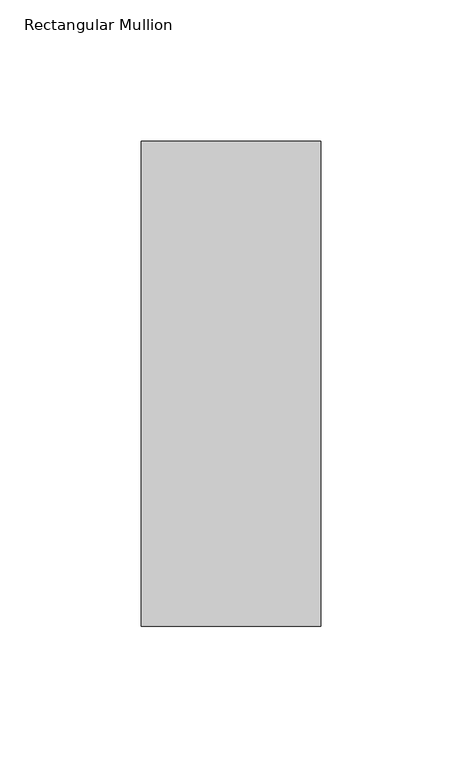
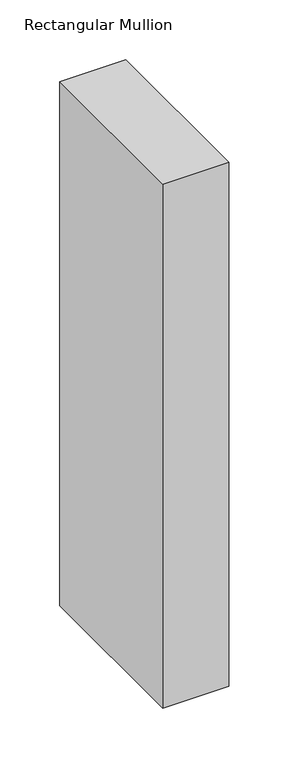
"""IFC4 building model written with IfcOpenShell, lengths in millimetres: member geometry, Rectangular Mullion."""

from ifc_helpers import new_model, si_unit, frame, origin, place, context, project, spatial, polyline, outline, extrude, source, transform, mapped, element, save


def rectangular_mullion_0e84ceea(model_context):
    return source(origin(), model_context, "Body", "SweptSolid", [
        extrude(outline(polyline([(-1e-07, 222.5381312), (-1e-07, 50.8091913), (-63.4999996, 50.8091913), (-63.4999996, 222.5381312), (-1e-07, 222.5381312)])), frame((0.0, 0.0, -533.36825), z_axis=(0.0, 0.0, 1.0), x_axis=(1.0, 0.0, 0.0)), (0.0, 0.0, 1.0), 533.36825),
    ])


if __name__ == "__main__":
    model = new_model("IFC4")
    model_context = context("Model", 3, world=origin())
    ifc_project = project(units=[si_unit("LENGTHUNIT", "METRE", prefix="MILLI")], contexts=[model_context])
    site = spatial("IfcSite", under=ifc_project)
    building = spatial("IfcBuilding", under=site)
    placement = place(None, origin())
    rectangular_mullion_shape = rectangular_mullion_0e84ceea(model_context)
    element("IfcMember", 1, ObjectType="Rectangular Mullion", at=placement, inside=building, context=model_context, shape_type="MappedRepresentation", body=[
        mapped(rectangular_mullion_shape, transform((0.0, 0.0, 0.0), x_axis=(1.0, 0.0, 0.0), y_axis=(0.0, 1.0, 0.0), z_axis=(0.0, 0.0, 1.0))),
    ])
    save(model, "model.ifc")
